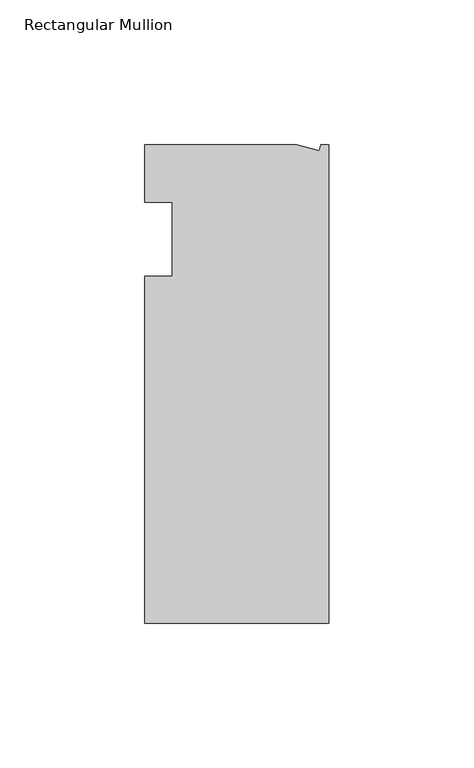
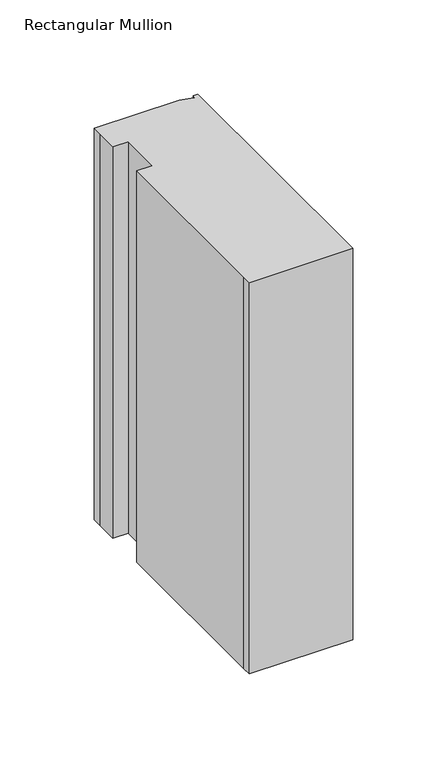
"""IFC4 building model written with IfcOpenShell, lengths in millimetres: member geometry, Rectangular Mullion."""

from ifc_helpers import new_model, si_unit, origin, place, context, project, spatial, faceted_brep, source, transform, mapped, element, save


def rectangular_mullion_8d542724(model_context):
    return source(origin(), model_context, "Body", "Brep", [
        faceted_brep([(0.0, -132.5561012, 0.0), (0.0, 32.5438988, 0.0), (-2.7630634, 32.5438988, 0.0), (-3.3223696, 30.4565397, 0.0), (-11.1125, 32.5438988, 0.0), (-63.5076469, 32.5438988, 0.0), (-63.5076469, 26.1938988, 0.0), (-63.5, 12.7, 0.0), (-53.975, 12.7, 0.0), (-53.975, -12.8488281, 0.0), (-63.5, -12.8488281, 0.0), (-63.5, -126.2061012, 0.0), (-63.5, -132.5561012, 0.0), (0.0, -132.5561012, -254.0), (-63.5, -132.5561012, -254.0), (-63.5, -126.2061012, -254.0), (-63.5, -12.8488281, -254.0), (-53.975, -12.8488281, -254.0), (-53.975, 12.7, -254.0), (-63.5, 12.7, -254.0), (-63.5, 26.1938988, -254.0), (-63.5076469, 32.5438988, -254.0), (-11.1125, 32.5438988, -254.0), (-3.3223696, 30.4565397, -254.0), (-2.7630634, 32.5438988, -254.0), (0.0, 32.5438988, -254.0)], [[[0, 1, 2, 3, 4, 5, 6, 7, 8, 9, 10, 11, 12]], [[13, 14, 15, 16, 17, 18, 19, 20, 21, 22, 23, 24, 25]], [[7, 6, 20, 19]], [[8, 7, 19, 18]], [[9, 8, 18, 17]], [[10, 9, 17, 16]], [[11, 10, 16, 15]], [[0, 12, 14, 13]], [[1, 0, 13, 25]], [[2, 1, 25, 24]], [[3, 2, 24, 23]], [[4, 3, 23, 22]], [[5, 4, 22, 21]], [[6, 5, 21, 20]], [[12, 11, 15, 14]]]),
    ])


if __name__ == "__main__":
    model = new_model("IFC4")
    model_context = context("Model", 3, world=origin())
    ifc_project = project(units=[si_unit("LENGTHUNIT", "METRE", prefix="MILLI")], contexts=[model_context])
    site = spatial("IfcSite", under=ifc_project)
    building = spatial("IfcBuilding", under=site)
    placement = place(None, origin())
    rectangular_mullion_shape = rectangular_mullion_8d542724(model_context)
    element("IfcMember", 1, ObjectType="Rectangular Mullion", at=placement, inside=building, context=model_context, shape_type="MappedRepresentation", body=[
        mapped(rectangular_mullion_shape, transform((0.0, 0.0, 0.0), x_axis=(1.0, 0.0, 0.0), y_axis=(0.0, 1.0, 0.0), z_axis=(0.0, 0.0, 1.0))),
    ])
    save(model, "model.ifc")
